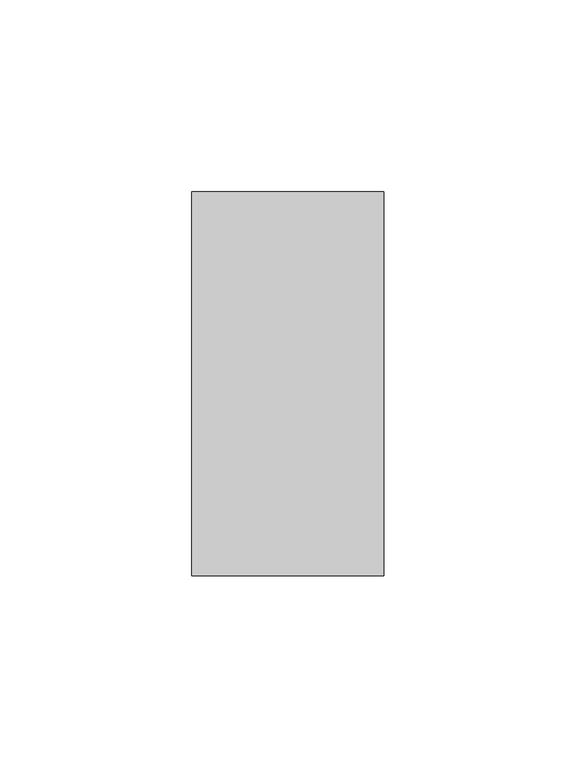
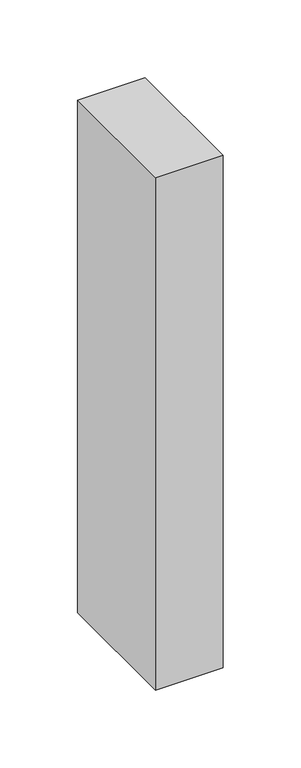
"""IFC4 building model written with IfcOpenShell, lengths in millimetres: member geometry."""

from ifc_helpers import new_model, si_unit, frame, origin, place, context, project, spatial, polyline, outline, extrude, source, transform, mapped, element, save


def member_2aab64b0(model_context):
    return source(origin(), model_context, "Body", "SweptSolid", [
        extrude(outline(polyline([(25.0, 50.0), (25.0, -50.0), (-25.0, -50.0), (-25.0, 50.0), (25.0, 50.0)])), frame((0.0, 0.0, -401.7769485), z_axis=(0.0, 0.0, 1.0), x_axis=(1.0, 0.0, 0.0)), (0.0, 0.0, 1.0), 401.7769485),
    ])


if __name__ == "__main__":
    model = new_model("IFC4")
    model_context = context("Model", 3, world=origin())
    ifc_project = project(units=[si_unit("LENGTHUNIT", "METRE", prefix="MILLI")], contexts=[model_context])
    site = spatial("IfcSite", under=ifc_project)
    building = spatial("IfcBuilding", under=site)
    placement = place(None, origin())
    member_shape = member_2aab64b0(model_context)
    element("IfcMember", 1, at=placement, inside=building, context=model_context, shape_type="MappedRepresentation", body=[
        mapped(member_shape, transform((0.0, 0.0, 0.0), x_axis=(1.0, 0.0, 0.0), y_axis=(0.0, 1.0, 0.0), z_axis=(0.0, 0.0, 1.0))),
    ])
    save(model, "model.ifc")
